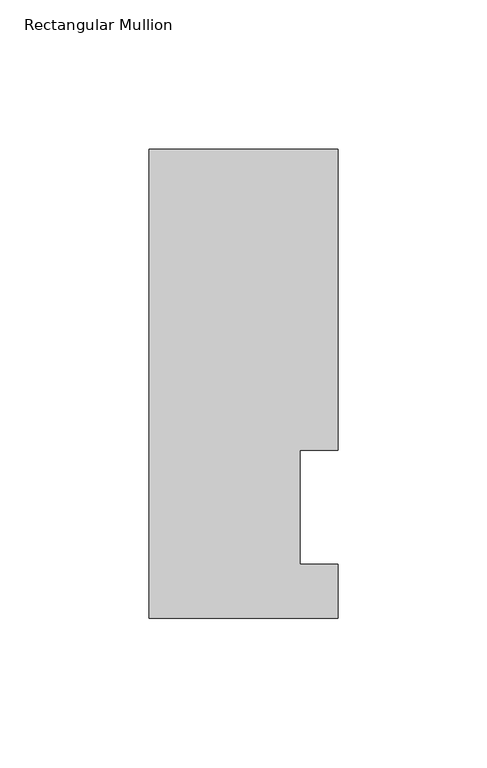
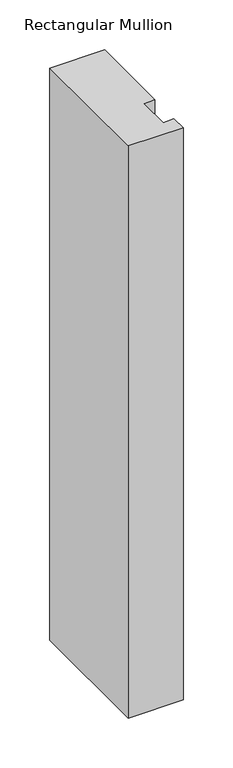
"""IFC4 building model written with IfcOpenShell, lengths in millimetres: member geometry, Rectangular Mullion."""

from ifc_helpers import new_model, si_unit, frame, origin, place, context, project, spatial, polyline, outline, extrude, source, transform, mapped, element, save


def rectangular_mullion_d6cd1cb9(model_context):
    return source(origin(), model_context, "Body", "SweptSolid", [
        extrude(outline(polyline([(-12.6746, 56.6539062), (-12.6746, 18.5539062), (0.0, 18.5539062), (0.0, 0.5199062), (-63.0936, 0.5199062), (-63.0936, 157.3395062), (0.0, 157.3395062), (0.0, 56.6539063), (-12.6746, 56.6539062)])), frame((0.0, 0.0, -698.5), z_axis=(0.0, 0.0, 1.0), x_axis=(1.0, 0.0, 0.0)), (0.0, 0.0, 1.0), 698.5),
    ])


if __name__ == "__main__":
    model = new_model("IFC4")
    model_context = context("Model", 3, world=origin())
    ifc_project = project(units=[si_unit("LENGTHUNIT", "METRE", prefix="MILLI")], contexts=[model_context])
    site = spatial("IfcSite", under=ifc_project)
    building = spatial("IfcBuilding", under=site)
    placement = place(None, origin())
    rectangular_mullion_shape = rectangular_mullion_d6cd1cb9(model_context)
    element("IfcMember", 1, ObjectType="Rectangular Mullion", at=placement, inside=building, context=model_context, shape_type="MappedRepresentation", body=[
        mapped(rectangular_mullion_shape, transform((0.0, 0.0, 0.0), x_axis=(1.0, 0.0, 0.0), y_axis=(0.0, 1.0, 0.0), z_axis=(0.0, 0.0, 1.0))),
    ])
    save(model, "model.ifc")
